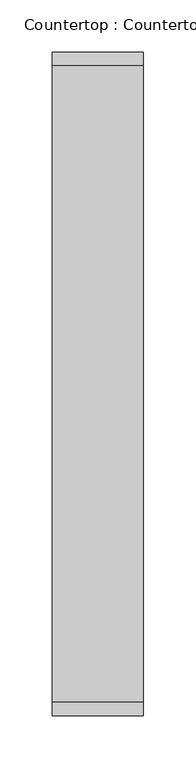
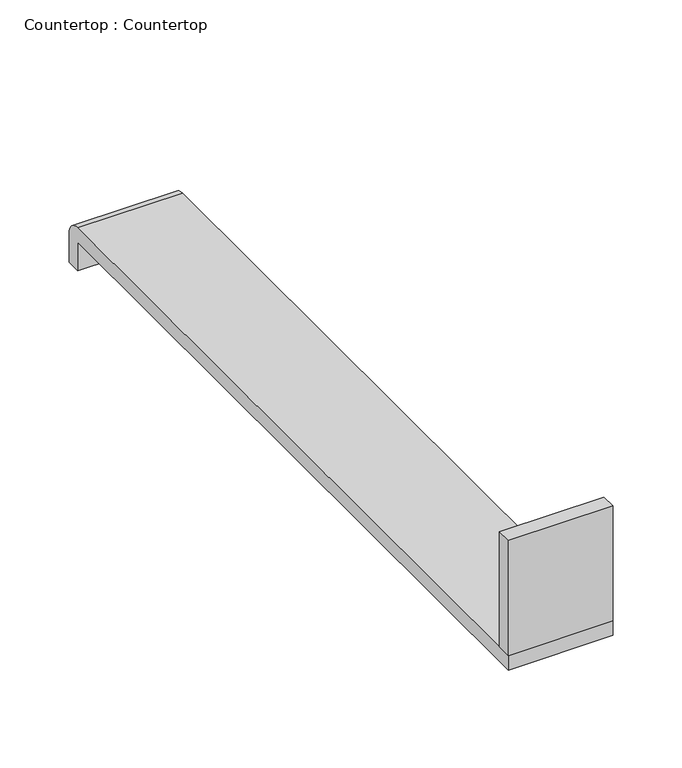
"""IFC4 building model written with IfcOpenShell, lengths in millimetres: proxy geometry, Countertop : Countertop."""

from ifc_helpers import new_model, si_unit, point, frame, frame_2d, origin, place, context, project, spatial, polyline, circle_curve, trimmed, segment, composite_curve, outline, extrude, source, transform, mapped, element, save


def countertop_countertop_2e60310b(model_context):
    return source(origin(), model_context, "Body", "SweptSolid", [
        extrude(outline(polyline([(87.3125, 0.0), (0.0, 0.0), (0.0, 12.7), (87.3125, 12.7), (87.3125, 0.0)])), frame((0.0, 0.0, 863.6), z_axis=(0.0, 0.0, 1.0), x_axis=(1.0, 0.0, 0.0)), (0.0, 0.0, 1.0), 101.6),
        extrude(outline(composite_curve([segment(trimmed(circle_curve(frame_2d((622.3, 850.9)), 12.7), [point((622.3, 863.6))], [point((635.0, 850.9))], False, "CARTESIAN"), True, "CONTINUOUS"), segment(polyline([(635.0, 850.9), (635.0, 825.5), (622.3, 825.5), (622.3, 850.9), (0.0, 850.9), (0.0, 863.6), (622.3, 863.6)]), True, "CONTINUOUS")], self_intersect=False)), frame((0.0, 0.0, 0.0), z_axis=(1.0, 0.0, 0.0), x_axis=(0.0, 1.0, 0.0)), (0.0, 0.0, 1.0), 87.3125),
    ])


if __name__ == "__main__":
    model = new_model("IFC4")
    model_context = context("Model", 3, world=origin())
    ifc_project = project(units=[si_unit("LENGTHUNIT", "METRE", prefix="MILLI")], contexts=[model_context])
    site = spatial("IfcSite", under=ifc_project)
    building = spatial("IfcBuilding", under=site)
    placement = place(None, origin())
    countertop_countertop_shape = countertop_countertop_2e60310b(model_context)
    element("IfcBuildingElementProxy", 1, Name="Countertop : Countertop", ObjectType="Countertop : Countertop", at=placement, inside=building, context=model_context, shape_type="MappedRepresentation", body=[
        mapped(countertop_countertop_shape, transform((0.0, 0.0, 0.0), x_axis=(1.0, 0.0, 0.0), y_axis=(0.0, 1.0, 0.0), z_axis=(0.0, 0.0, 1.0))),
    ])
    save(model, "model.ifc")
